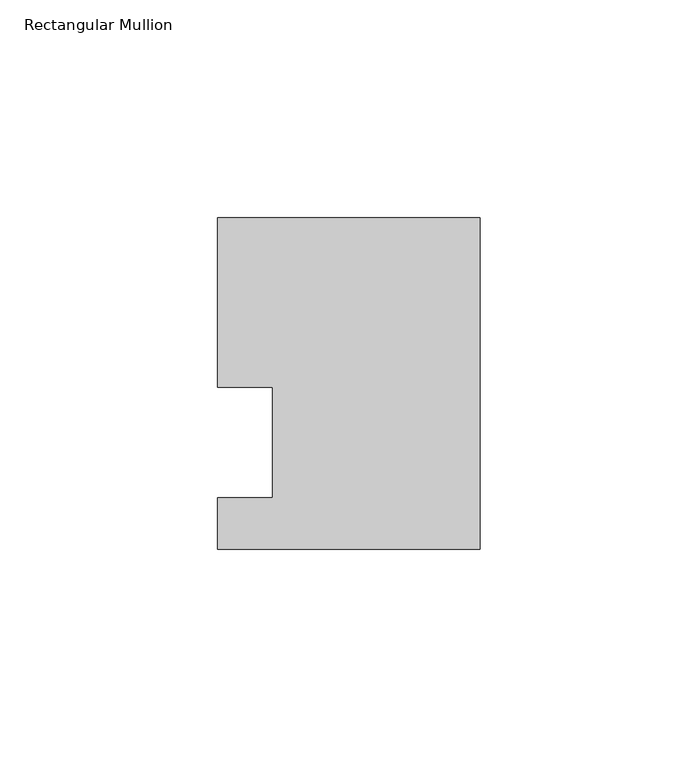
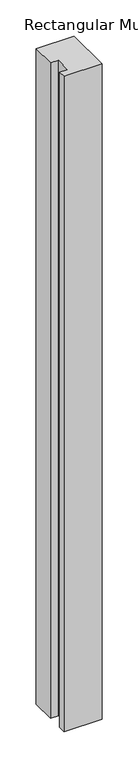
"""IFC4 building model written with IfcOpenShell, lengths in millimetres: member geometry, Rectangular Mullion."""

from ifc_helpers import new_model, si_unit, frame, origin, place, context, project, spatial, polyline, outline, extrude, source, transform, mapped, element, save


def rectangular_mullion_b121f51e(model_context):
    return source(origin(), model_context, "Body", "SweptSolid", [
        extrude(outline(polyline([(-60.325, 51.59375), (0.0, 51.59375), (0.0, -24.60625), (-60.325, -24.60625), (-60.325, -12.7), (-47.6232296, -12.7), (-47.6232296, 12.7), (-60.325, 12.7), (-60.325, 51.59375)])), frame((0.0, 0.0, -1099.7094027), z_axis=(0.0, 0.0, 1.0), x_axis=(1.0, 0.0, 0.0)), (0.0, 0.0, 1.0), 1099.7094027),
    ])


if __name__ == "__main__":
    model = new_model("IFC4")
    model_context = context("Model", 3, world=origin())
    ifc_project = project(units=[si_unit("LENGTHUNIT", "METRE", prefix="MILLI")], contexts=[model_context])
    site = spatial("IfcSite", under=ifc_project)
    building = spatial("IfcBuilding", under=site)
    placement = place(None, origin())
    rectangular_mullion_shape = rectangular_mullion_b121f51e(model_context)
    element("IfcMember", 1, ObjectType="Rectangular Mullion", at=placement, inside=building, context=model_context, shape_type="MappedRepresentation", body=[
        mapped(rectangular_mullion_shape, transform((0.0, 0.0, 0.0), x_axis=(1.0, 0.0, 0.0), y_axis=(0.0, 1.0, 0.0), z_axis=(0.0, 0.0, 1.0))),
    ])
    save(model, "model.ifc")
